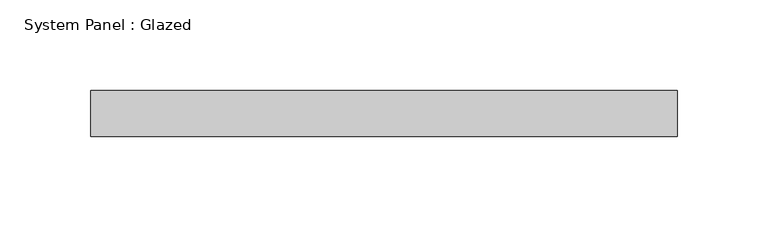
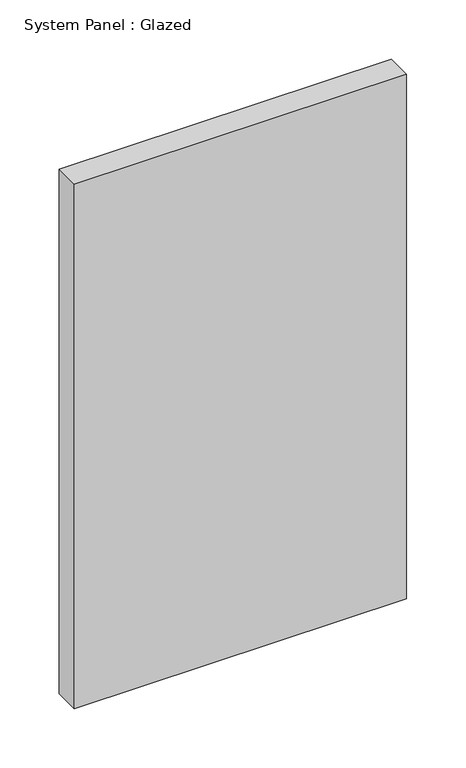
"""IFC4 building model written with IfcOpenShell, lengths in millimetres: plate geometry, System Panel : Glazed."""

from ifc_helpers import new_model, si_unit, origin, origin_with_axes, place, context, project, spatial, polyline, outline, extrude, source, transform, mapped, element, save


def system_panel_glazed_18cb4d30(model_context):
    return source(origin(), model_context, "Body", "SweptSolid", [
        extrude(outline(polyline([(161.925, -12.7), (-161.925, -12.7), (-161.925, 12.7), (161.925, 12.7), (161.925, -12.7)])), origin_with_axes(), (0.0, 0.0, 1.0), 539.75),
    ])


if __name__ == "__main__":
    model = new_model("IFC4")
    model_context = context("Model", 3, world=origin())
    ifc_project = project(units=[si_unit("LENGTHUNIT", "METRE", prefix="MILLI")], contexts=[model_context])
    site = spatial("IfcSite", under=ifc_project)
    building = spatial("IfcBuilding", under=site)
    placement = place(None, origin())
    system_panel_glazed_shape = system_panel_glazed_18cb4d30(model_context)
    element("IfcPlate", 1, ObjectType="System Panel : Glazed", at=placement, inside=building, context=model_context, shape_type="MappedRepresentation", body=[
        mapped(system_panel_glazed_shape, transform((0.0, 0.0, 0.0), x_axis=(1.0, 0.0, 0.0), y_axis=(0.0, 1.0, 0.0), z_axis=(0.0, 0.0, 1.0))),
    ])
    save(model, "model.ifc")
